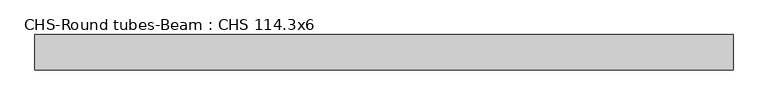
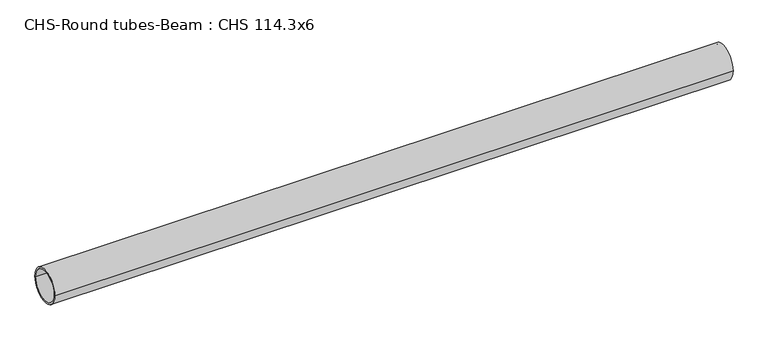
"""IFC4 building model written with IfcOpenShell, lengths in millimetres: beam geometry, CHS-Round tubes-Beam : CHS 114.3x6."""

from ifc_helpers import new_model, si_unit, point, frame, origin, origin_2d, place, context, project, spatial, circle_curve, trimmed, segment, composite_curve, outline, extrude, source, transform, mapped, element, save


def chs_round_tubes_beam_chs_114_3x6_45e44bd1(model_context):
    return source(origin(), model_context, "Body", "SweptSolid", [
        extrude(outline(composite_curve([segment(trimmed(circle_curve(origin_2d(), 57.15), [point((57.15, 0.0))], [point((-57.15, 0.0))], False, "CARTESIAN"), True, "CONTINUOUS"), segment(trimmed(circle_curve(origin_2d(), 57.15), [point((-57.15, 0.0))], [point((57.15, 0.0))], False, "CARTESIAN"), True, "CONTINUOUS")], self_intersect=False), holes=[composite_curve([segment(trimmed(circle_curve(origin_2d(), 51.15), [point((51.15, 0.0))], [point((-51.15, 0.0))], True, "CARTESIAN"), True, "CONTINUOUS"), segment(trimmed(circle_curve(origin_2d(), 51.15), [point((-51.15, 0.0))], [point((51.15, 0.0))], True, "CARTESIAN"), True, "CONTINUOUS")], self_intersect=False)]), frame((-1081.4947766, 0.0, 0.0), z_axis=(1.0, 0.0, 0.0), x_axis=(0.0, 1.0, 0.0)), (0.0, 0.0, 1.0), 2248.1206543),
    ])


if __name__ == "__main__":
    model = new_model("IFC4")
    model_context = context("Model", 3, world=origin())
    ifc_project = project(units=[si_unit("LENGTHUNIT", "METRE", prefix="MILLI")], contexts=[model_context])
    site = spatial("IfcSite", under=ifc_project)
    building = spatial("IfcBuilding", under=site)
    placement = place(None, origin())
    chs_round_tubes_beam_chs_114_3x6_shape = chs_round_tubes_beam_chs_114_3x6_45e44bd1(model_context)
    element("IfcBeam", 1, ObjectType="CHS-Round tubes-Beam : CHS 114.3x6", at=placement, inside=building, context=model_context, shape_type="MappedRepresentation", body=[
        mapped(chs_round_tubes_beam_chs_114_3x6_shape, transform((0.0, 0.0, 0.0), x_axis=(1.0, 0.0, 0.0), y_axis=(0.0, 1.0, 0.0), z_axis=(0.0, 0.0, 1.0))),
    ])
    save(model, "model.ifc")
